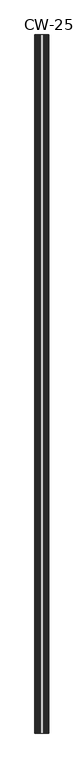
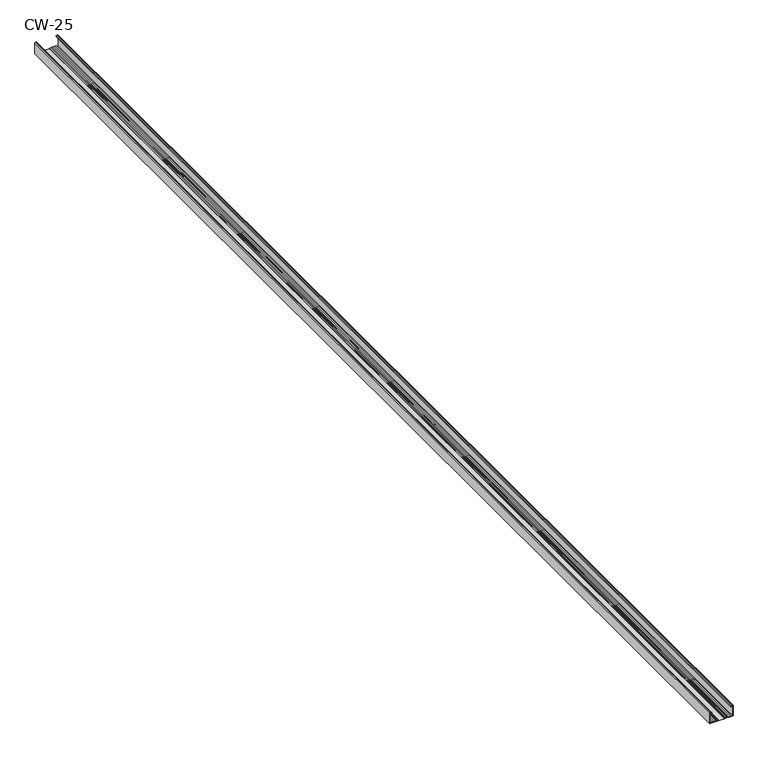
"""IFC4 building model written with IfcOpenShell, lengths in millimetres: proxy geometry, CW-25."""

from ifc_helpers import new_model, si_unit, point, frame, frame_2d, origin, place, context, project, spatial, polyline, circle_curve, trimmed, segment, composite_curve, outline, extrude, source, transform, mapped, element, save


def cw_25_47637a19(model_context):
    return source(origin(), model_context, "Body", "SweptSolid", [
        extrude(outline(composite_curve([segment(trimmed(circle_curve(frame_2d((-1.0, -24.0)), 0.5), [point((-1.0, -24.5))], [point((-0.5, -24.0))], True, "CARTESIAN"), True, "CONTINUOUS"), segment(polyline([(-0.5, -24.0), (-0.5, -21.6466568), (-3.1346768, -21.2973409), (-2.9940841, -20.5), (-0.4479055, -21.1481292)]), True, "CONTINUOUS"), segment(trimmed(circle_curve(frame_2d((-0.7947911, -21.8690108)), 0.8), [point((-0.4479055, -21.1481292))], [point((0.0, -21.7778679))], False, "CARTESIAN"), True, "CONTINUOUS"), segment(polyline([(0.0, -21.7778679), (0.0, -24.0)]), True, "CONTINUOUS"), segment(trimmed(circle_curve(frame_2d((-1.0, -24.0)), 1.0), [point((0.0, -24.0))], [point((-1.0, -25.0))], False, "CARTESIAN"), True, "CONTINUOUS"), segment(polyline([(-1.0, -25.0), (-25.0, -25.0), (-25.0, -20.1), (-23.7, -20.1), (-23.7, -19.2), (-24.5, -19.2), (-24.5, -17.0), (-23.7, -17.0), (-23.7, -16.2), (-24.5, -16.2), (-24.5, -14.0), (-23.7, -14.0), (-23.7, -13.1), (-24.5, -13.1), (-24.5, -10.9), (-23.7, -10.9), (-23.7, -10.1), (-24.5, -10.1), (-24.5, -7.9), (-23.7, -7.9), (-23.7, -7.0), (-25.0, -7.0), (-25.0, 7.0), (-23.7, 7.0), (-23.7, 7.9), (-24.5, 7.9), (-24.5, 10.1), (-23.7, 10.1), (-23.7, 10.9), (-24.5, 10.9), (-24.5, 13.1), (-23.7, 13.1), (-23.7, 14.0), (-24.5, 14.0), (-24.5, 16.2), (-23.7, 16.2), (-23.7, 17.0), (-24.5, 17.0), (-24.5, 19.2), (-23.7, 19.2), (-23.7, 20.1), (-25.0, 20.1), (-25.0, 25.0), (-1.0, 25.0)]), True, "CONTINUOUS"), segment(trimmed(circle_curve(frame_2d((-1.0, 24.0)), 1.0), [point((-1.0, 25.0))], [point((0.0, 24.0))], False, "CARTESIAN"), True, "CONTINUOUS"), segment(polyline([(0.0, 24.0), (0.0, 21.7778679)]), True, "CONTINUOUS"), segment(trimmed(circle_curve(frame_2d((-0.7947911, 21.8690108)), 0.8), [point((0.0, 21.7778679))], [point((-0.4479055, 21.1481292))], False, "CARTESIAN"), True, "CONTINUOUS"), segment(polyline([(-0.4479055, 21.1481292), (-2.9940841, 20.5), (-3.1346768, 21.2973409), (-0.5, 21.6466568), (-0.5, 24.0)]), True, "CONTINUOUS"), segment(trimmed(circle_curve(frame_2d((-1.0, 24.0)), 0.5), [point((-0.5, 24.0))], [point((-1.0, 24.5))], True, "CARTESIAN"), True, "CONTINUOUS"), segment(polyline([(-1.0, 24.5), (-24.5, 24.5), (-24.5, 20.6), (-23.2, 20.6), (-23.2, 18.7), (-24.0, 18.7), (-24.0, 17.5), (-23.2, 17.5), (-23.2, 15.7), (-24.0, 15.7), (-24.0, 14.5), (-23.2, 14.5), (-23.2, 12.6), (-24.0, 12.6), (-24.0, 11.4), (-23.2, 11.4), (-23.2, 9.6), (-24.0, 9.6), (-24.0, 8.4), (-23.2, 8.4), (-23.2, 6.5), (-24.5, 6.5), (-24.5, -6.5), (-23.2, -6.5), (-23.2, -8.4), (-24.0, -8.4), (-24.0, -9.6), (-23.2, -9.6), (-23.2, -11.4), (-24.0, -11.4), (-24.0, -12.6), (-23.2, -12.6), (-23.2, -14.5), (-24.0, -14.5), (-24.0, -15.7), (-23.2, -15.7), (-23.2, -17.5), (-24.0, -17.5), (-24.0, -18.7), (-23.2, -18.7), (-23.2, -20.6), (-24.5, -20.6), (-24.5, -24.5), (-1.0, -24.5)]), True, "CONTINUOUS")], self_intersect=False)), frame((0.0, 0.0, 0.0), z_axis=(0.0, 1.0, 0.0), x_axis=(0.0, 0.0, 1.0)), (0.0, 0.0, 1.0), 2500.0),
    ])


if __name__ == "__main__":
    model = new_model("IFC4")
    model_context = context("Model", 3, world=origin())
    ifc_project = project(units=[si_unit("LENGTHUNIT", "METRE", prefix="MILLI")], contexts=[model_context])
    site = spatial("IfcSite", under=ifc_project)
    building = spatial("IfcBuilding", under=site)
    placement = place(None, origin())
    cw_25_shape = cw_25_47637a19(model_context)
    element("IfcBuildingElementProxy", 1, Name="CW-25", ObjectType="CW-25", at=placement, inside=building, context=model_context, shape_type="MappedRepresentation", body=[
        mapped(cw_25_shape, transform((0.0, 0.0, 0.0), x_axis=(1.0, 0.0, 0.0), y_axis=(0.0, 1.0, 0.0), z_axis=(0.0, 0.0, 1.0))),
    ])
    save(model, "model.ifc")
